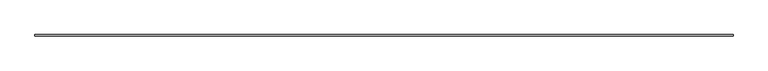
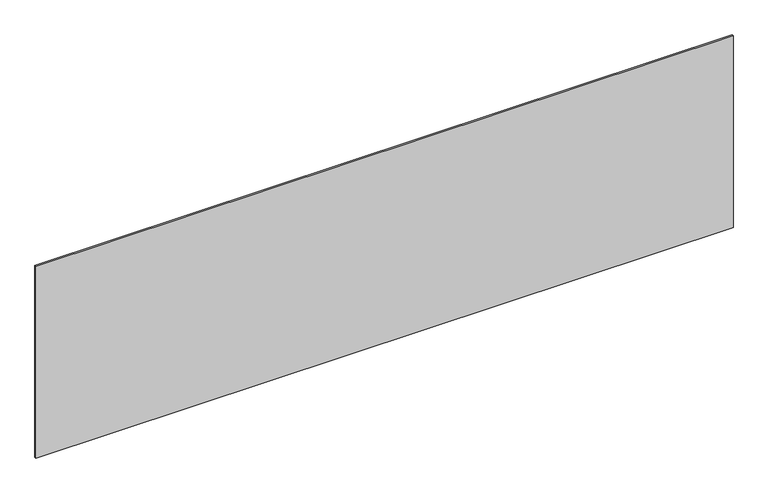
"""IFC4 building model written with IfcOpenShell, lengths in millimetres: plate geometry."""

import ifcopenshell
import ifcopenshell.guid

model = None  # the IFC model being written
_history = None  # IfcOwnerHistory: only IFC2X3 demands one
_inside = {}  # id of a spatial element -> (the spatial element, [elements in it])
_under = {}  # id of a project, library or spatial element -> (it, [spatial elements below it])
_declared = {}  # id of a project -> (the project, [libraries it declares])
_typed = {}  # id of a type object -> (the type object, [elements of that type])
_made_of = {}  # id of a material, layer set ... -> (it, [elements and type objects made of it])


def new_model(schema):
    """Start an empty IFC model of exactly this schema.

    Asked for "IFC4X3", IfcOpenShell would pick the latest addendum, in which some entities
    have other attributes; the version numbers below select the first issue.
    IFC2X3 requires an IfcOwnerHistory on every rooted entity: one is made here for all.
    """
    global model, _history
    if schema == "IFC4X3":
        model = ifcopenshell.file(schema_version=(4, 3, 0, 0))
    else:
        model = ifcopenshell.file(schema=schema)
    _inside.clear()
    _under.clear()
    _declared.clear()
    _typed.clear()
    _made_of.clear()
    _history = None
    if model.schema == "IFC2X3":
        org = make("IfcOrganization", Name="unknown")
        user = make(
            "IfcPersonAndOrganization",
            ThePerson=make("IfcPerson", FamilyName="unknown"),
            TheOrganization=org,
        )
        app = make(
            "IfcApplication",
            ApplicationDeveloper=org,
            Version="unknown",
            ApplicationFullName="unknown",
            ApplicationIdentifier="unknown",
        )
        _history = make(
            "IfcOwnerHistory",
            OwningUser=user,
            OwningApplication=app,
            ChangeAction="ADDED",
            CreationDate=0,
        )
    return model


def make(cls, **values):
    """One entity of the class cls with the attributes given. An attribute that is None is left unset."""
    return model.create_entity(
        cls, **{name: value for name, value in values.items() if value is not None}
    )


def rooted(cls, **values):
    """An entity with a GlobalId (a new one), such as an element, a storey or a relation."""
    return make(cls, GlobalId=ifcopenshell.guid.new(), OwnerHistory=_history, **values)


def si_unit(unit_type, name, prefix=None):
    """IfcSIUnit, for example si_unit("LENGTHUNIT", "METRE", prefix="MILLI")."""
    return make("IfcSIUnit", UnitType=unit_type, Prefix=prefix, Name=name)


def assignment(units):
    """IfcUnitAssignment: the units of a project."""
    return None if units is None else make("IfcUnitAssignment", Units=units)


def point(xyz):
    """IfcCartesianPoint."""
    return None if xyz is None else make("IfcCartesianPoint", Coordinates=xyz)


def direction(xyz):
    """IfcDirection."""
    return None if xyz is None else make("IfcDirection", DirectionRatios=xyz)


def frame(location, z_axis=None, x_axis=None):
    """IfcAxis2Placement3D, a coordinate frame: its origin and axes. An axis left out is left unset."""
    return make(
        "IfcAxis2Placement3D",
        Location=point(location),
        Axis=direction(z_axis),
        RefDirection=direction(x_axis),
    )


def origin():
    """The frame at (0, 0, 0) with its axes left unset."""
    return frame((0.0, 0.0, 0.0))


def origin_with_axes():
    """The frame at (0, 0, 0) with the z axis (0, 0, 1) and the x axis (1, 0, 0) written out."""
    return frame((0.0, 0.0, 0.0), z_axis=(0.0, 0.0, 1.0), x_axis=(1.0, 0.0, 0.0))


def place(relative_to, where):
    """IfcLocalPlacement: puts the frame where relative to a parent placement (None: the world)."""
    return make(
        "IfcLocalPlacement", PlacementRelTo=relative_to, RelativePlacement=where
    )


def context(
    kind, dimensions, precision=None, world=None, true_north=None, identifier=None
):
    """IfcGeometricRepresentationContext, for example the 3D "Model" context."""
    return make(
        "IfcGeometricRepresentationContext",
        ContextIdentifier=identifier,
        ContextType=kind,
        CoordinateSpaceDimension=dimensions,
        Precision=precision,
        WorldCoordinateSystem=world,
        TrueNorth=true_north,
    )


def project(units=None, contexts=None):
    """IfcProject with its units and contexts."""
    return rooted(
        "IfcProject",
        Name="project",
        RepresentationContexts=contexts,
        UnitsInContext=assignment(units),
    )


def spatial(cls, under=None, at=None, **own):
    """A site, building, storey or space (cls), placed at a placement, below another one or the project."""
    s = rooted(cls, ObjectPlacement=at, **own)
    if under is not None:
        _under.setdefault(under.id(), (under, []))[1].append(s)
    return s


def polyline(points):
    """IfcPolyline through the points."""
    return make("IfcPolyline", Points=[point(p) for p in points])


def outline(outer, holes=None, kind="AREA"):
    """IfcArbitraryClosedProfileDef: a profile drawn as a closed curve; with holes, ...WithVoids."""
    if holes is None:
        return make("IfcArbitraryClosedProfileDef", ProfileType=kind, OuterCurve=outer)
    return make(
        "IfcArbitraryProfileDefWithVoids",
        ProfileType=kind,
        OuterCurve=outer,
        InnerCurves=holes,
    )


def extrude(swept, where, along, depth):
    """IfcExtrudedAreaSolid: the profile swept, set in the frame where, extruded along a direction by depth."""
    return make(
        "IfcExtrudedAreaSolid",
        SweptArea=swept,
        Position=where,
        ExtrudedDirection=direction(along),
        Depth=depth,
    )


def shape(context_of_items, identifier, shape_type, items):
    """IfcShapeRepresentation: the items that make up one representation, for example the "Body"."""
    return make(
        "IfcShapeRepresentation",
        ContextOfItems=context_of_items,
        RepresentationIdentifier=identifier,
        RepresentationType=shape_type,
        Items=items,
    )


def source(mapping_origin, context_of_items, identifier, shape_type, items):
    """IfcRepresentationMap: a shape defined once, which mapped items show again and again."""
    return make(
        "IfcRepresentationMap",
        MappingOrigin=mapping_origin,
        MappedRepresentation=shape(context_of_items, identifier, shape_type, items),
    )


def transform(
    local_origin,
    x_axis=None,
    y_axis=None,
    z_axis=None,
    scale=None,
    scale2=None,
    scale3=None,
    uniform=True,
):
    """IfcCartesianTransformationOperator3D, or its non-uniform kind. x_axis, y_axis, z_axis: its Axis1, 2, 3."""
    if uniform:
        return make(
            "IfcCartesianTransformationOperator3D",
            Axis1=direction(x_axis),
            Axis2=direction(y_axis),
            LocalOrigin=point(local_origin),
            Scale=scale,
            Axis3=direction(z_axis),
        )
    return make(
        "IfcCartesianTransformationOperator3DnonUniform",
        Axis1=direction(x_axis),
        Axis2=direction(y_axis),
        LocalOrigin=point(local_origin),
        Scale=scale,
        Axis3=direction(z_axis),
        Scale2=scale2,
        Scale3=scale3,
    )


def mapped(mapping_source, mapping_target):
    """IfcMappedItem: shows the shape of a source again, moved by a transform."""
    return make(
        "IfcMappedItem", MappingSource=mapping_source, MappingTarget=mapping_target
    )


def made_of(thing, what):
    """Note that an element or type object is made of a material, layer set ...; save() writes the relation."""
    if what is not None:
        _made_of.setdefault(what.id(), (what, []))[1].append(thing)
    return thing


def element(
    cls,
    number,
    at=None,
    inside=None,
    cuts=None,
    type_object=None,
    material=None,
    context=None,
    identifier="Body",
    shape_type=None,
    held_by="IfcProductDefinitionShape",
    body=None,
    shapes=None,
    **own,
):
    """One element of the class cls, such as IfcWall. Its Tag is "e" and its number.

    at: its placement. inside: the storey or other place that contains it. cuts: it is an
    opening in that element (IfcRelVoidsElement). A single representation is given by context,
    identifier, shape_type and body (its items); several are given by shapes. held_by: the class
    of the entity that holds the representations. save() writes the other relations.
    """
    e = rooted(cls, Tag="e%d" % number, ObjectPlacement=at, **own)
    if body is not None:
        shapes = [shape(context, identifier, shape_type, body)]
    if shapes is not None:
        e.Representation = make(held_by, Representations=shapes)
    if inside is not None:
        _inside.setdefault(inside.id(), (inside, []))[1].append(e)
    if cuts is not None:
        rooted(
            "IfcRelVoidsElement", RelatingBuildingElement=cuts, RelatedOpeningElement=e
        )
    if type_object is not None:
        _typed.setdefault(type_object.id(), (type_object, []))[1].append(e)
    return made_of(e, material)


def aggregate(whole, parts):
    """IfcRelAggregates: a whole, such as a stair, and the parts it consists of."""
    return rooted("IfcRelAggregates", RelatingObject=whole, RelatedObjects=parts)


def save(model, path):
    """Write the relations noted so far, then the file.

    IfcRelAggregates (storeys below a building ...), IfcRelContainedInSpatialStructure (elements
    in a storey), IfcRelDefinesByType, IfcRelAssociatesMaterial and IfcRelDeclares: one each for
    every whole, place, type object, material and project.
    """
    for whole, parts in _under.values():
        aggregate(whole, parts)
    for where, things in _inside.values():
        rooted(
            "IfcRelContainedInSpatialStructure",
            RelatedElements=things,
            RelatingStructure=where,
        )
    for kind, things in _typed.values():
        rooted("IfcRelDefinesByType", RelatedObjects=things, RelatingType=kind)
    for what, things in _made_of.values():
        rooted("IfcRelAssociatesMaterial", RelatedObjects=things, RelatingMaterial=what)
    for by, libraries in _declared.values():
        rooted("IfcRelDeclares", RelatingContext=by, RelatedDefinitions=libraries)
    model.write(path)


def plate_fbfa9490(model_context):
    return source(origin(), model_context, "Body", "SweptSolid", [
        extrude(outline(polyline([(2281.6666667, -5.0), (-2281.6666667, -5.0), (-2281.6666667, 5.0), (2281.6666667, 5.0), (2281.6666667, -5.0)])), origin_with_axes(), (0.0, 0.0, 1.0), 1327.5187473),
    ])


if __name__ == "__main__":
    model = new_model("IFC4")
    model_context = context("Model", 3, world=origin())
    ifc_project = project(units=[si_unit("LENGTHUNIT", "METRE", prefix="MILLI")], contexts=[model_context])
    site = spatial("IfcSite", under=ifc_project)
    building = spatial("IfcBuilding", under=site)
    placement = place(None, origin())
    plate_shape = plate_fbfa9490(model_context)
    element("IfcPlate", 1, at=placement, inside=building, context=model_context, shape_type="MappedRepresentation", body=[
        mapped(plate_shape, transform((0.0, 0.0, 0.0), x_axis=(1.0, 0.0, 0.0), y_axis=(0.0, 1.0, 0.0), z_axis=(0.0, 0.0, 1.0))),
    ])
    save(model, "model.ifc")
